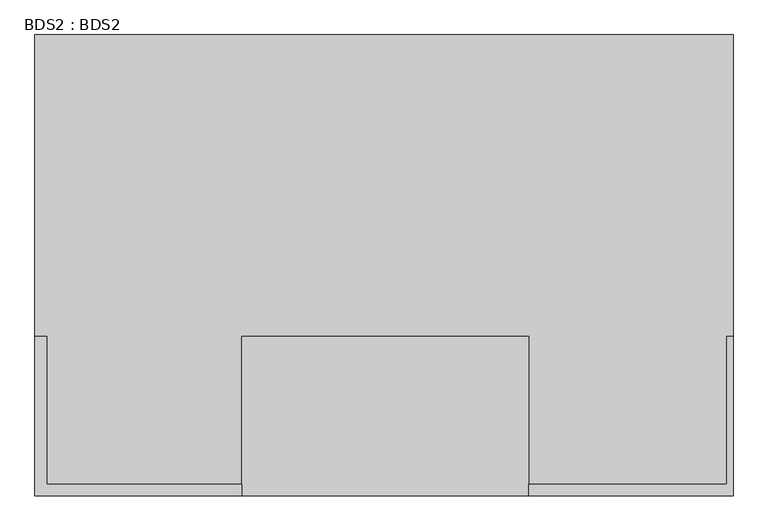
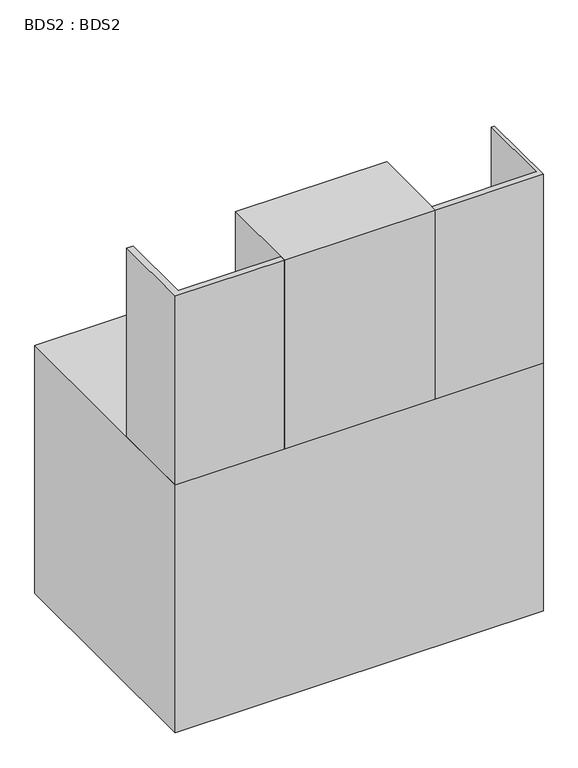
"""IFC4 building model written with IfcOpenShell, lengths in millimetres: proxy geometry, BDS2 : BDS2."""

from ifc_helpers import new_model, si_unit, frame, origin, place, context, project, spatial, polyline, outline, extrude, source, transform, mapped, element, save


def bds2_bds2_2ed27e46(model_context):
    return source(origin(), model_context, "Body", "SweptSolid", [
        extrude(outline(polyline([(730.0301923, -108.4384615), (743.1698077, -108.4384615), (743.1698077, -451.3384615), (304.8, -451.3384615), (304.8, -425.9384615), (730.0301923, -425.9384615), (730.0301923, -108.4384615)])), frame((0.0, 0.0, 1168.4), z_axis=(0.0, 0.0, 1.0), x_axis=(1.0, 0.0, 0.0)), (0.0, 0.0, 1.0), 812.8),
        extrude(outline(polyline([(-730.0301923, -108.4384615), (-730.0301923, -425.9384615), (-310.9301923, -425.9384615), (-310.9301923, -451.3384615), (-755.4301923, -451.3384615), (-755.4301923, -108.4384615), (-730.0301923, -108.4384615)])), frame((0.0, 0.0, 1168.4), z_axis=(0.0, 0.0, 1.0), x_axis=(1.0, 0.0, 0.0)), (0.0, 0.0, 1.0), 812.8),
        extrude(outline(polyline([(304.8, -451.3384615), (-310.9301923, -451.3384615), (-310.9301923, -108.4384615), (304.8, -108.4384615), (304.8, -451.3384615)])), frame((0.0, 0.0, 1168.4), z_axis=(0.0, 0.0, 1.0), x_axis=(1.0, 0.0, 0.0)), (0.0, 0.0, 1.0), 812.8),
        extrude(outline(polyline([(743.1698077, -451.3384615), (-755.4301923, -451.3384615), (-755.4301923, 539.2615385), (743.1698077, 539.2615385), (743.1698077, -451.3384615)])), frame((0.0, 0.0, 102.0324321), z_axis=(0.0, 0.0, 1.0), x_axis=(1.0, 0.0, 0.0)), (0.0, 0.0, 1.0), 1066.3675679),
    ])


if __name__ == "__main__":
    model = new_model("IFC4")
    model_context = context("Model", 3, world=origin())
    ifc_project = project(units=[si_unit("LENGTHUNIT", "METRE", prefix="MILLI")], contexts=[model_context])
    site = spatial("IfcSite", under=ifc_project)
    building = spatial("IfcBuilding", under=site)
    placement = place(None, origin())
    bds2_bds2_shape = bds2_bds2_2ed27e46(model_context)
    element("IfcBuildingElementProxy", 1, Name="BDS2 : BDS2", ObjectType="BDS2 : BDS2", at=placement, inside=building, context=model_context, shape_type="MappedRepresentation", body=[
        mapped(bds2_bds2_shape, transform((0.0, 0.0, 0.0), x_axis=(1.0, 0.0, 0.0), y_axis=(0.0, 1.0, 0.0), z_axis=(0.0, 0.0, 1.0))),
    ])
    save(model, "model.ifc")
